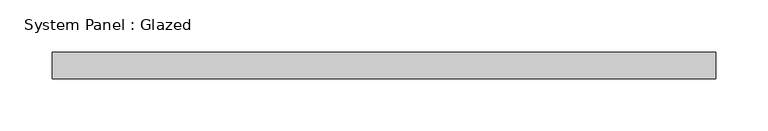
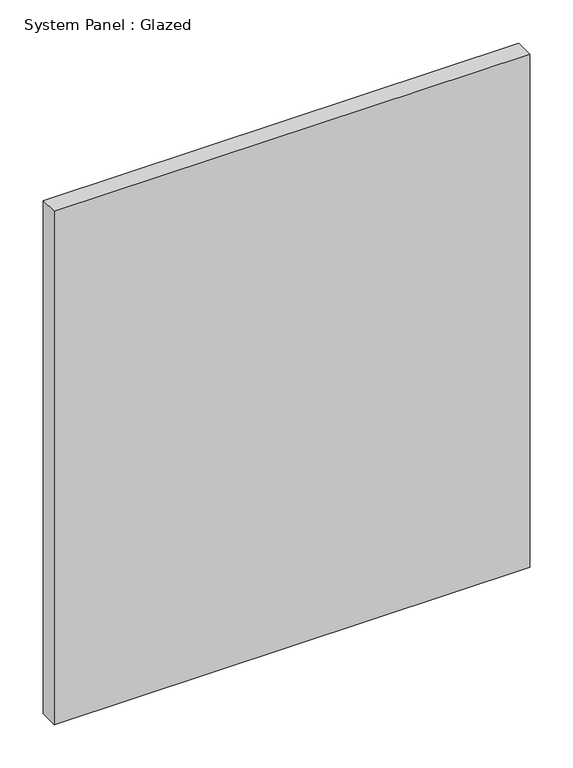
"""IFC4 building model written with IfcOpenShell, lengths in millimetres: plate geometry, System Panel : Glazed."""

import ifcopenshell
import ifcopenshell.guid

model = None  # the IFC model being written
_history = None  # IfcOwnerHistory: only IFC2X3 demands one
_inside = {}  # id of a spatial element -> (the spatial element, [elements in it])
_under = {}  # id of a project, library or spatial element -> (it, [spatial elements below it])
_declared = {}  # id of a project -> (the project, [libraries it declares])
_typed = {}  # id of a type object -> (the type object, [elements of that type])
_made_of = {}  # id of a material, layer set ... -> (it, [elements and type objects made of it])


def new_model(schema):
    """Start an empty IFC model of exactly this schema.

    Asked for "IFC4X3", IfcOpenShell would pick the latest addendum, in which some entities
    have other attributes; the version numbers below select the first issue.
    IFC2X3 requires an IfcOwnerHistory on every rooted entity: one is made here for all.
    """
    global model, _history
    if schema == "IFC4X3":
        model = ifcopenshell.file(schema_version=(4, 3, 0, 0))
    else:
        model = ifcopenshell.file(schema=schema)
    _inside.clear()
    _under.clear()
    _declared.clear()
    _typed.clear()
    _made_of.clear()
    _history = None
    if model.schema == "IFC2X3":
        org = make("IfcOrganization", Name="unknown")
        user = make(
            "IfcPersonAndOrganization",
            ThePerson=make("IfcPerson", FamilyName="unknown"),
            TheOrganization=org,
        )
        app = make(
            "IfcApplication",
            ApplicationDeveloper=org,
            Version="unknown",
            ApplicationFullName="unknown",
            ApplicationIdentifier="unknown",
        )
        _history = make(
            "IfcOwnerHistory",
            OwningUser=user,
            OwningApplication=app,
            ChangeAction="ADDED",
            CreationDate=0,
        )
    return model


def make(cls, **values):
    """One entity of the class cls with the attributes given. An attribute that is None is left unset."""
    return model.create_entity(
        cls, **{name: value for name, value in values.items() if value is not None}
    )


def rooted(cls, **values):
    """An entity with a GlobalId (a new one), such as an element, a storey or a relation."""
    return make(cls, GlobalId=ifcopenshell.guid.new(), OwnerHistory=_history, **values)


def si_unit(unit_type, name, prefix=None):
    """IfcSIUnit, for example si_unit("LENGTHUNIT", "METRE", prefix="MILLI")."""
    return make("IfcSIUnit", UnitType=unit_type, Prefix=prefix, Name=name)


def assignment(units):
    """IfcUnitAssignment: the units of a project."""
    return None if units is None else make("IfcUnitAssignment", Units=units)


def point(xyz):
    """IfcCartesianPoint."""
    return None if xyz is None else make("IfcCartesianPoint", Coordinates=xyz)


def direction(xyz):
    """IfcDirection."""
    return None if xyz is None else make("IfcDirection", DirectionRatios=xyz)


def frame(location, z_axis=None, x_axis=None):
    """IfcAxis2Placement3D, a coordinate frame: its origin and axes. An axis left out is left unset."""
    return make(
        "IfcAxis2Placement3D",
        Location=point(location),
        Axis=direction(z_axis),
        RefDirection=direction(x_axis),
    )


def origin():
    """The frame at (0, 0, 0) with its axes left unset."""
    return frame((0.0, 0.0, 0.0))


def origin_with_axes():
    """The frame at (0, 0, 0) with the z axis (0, 0, 1) and the x axis (1, 0, 0) written out."""
    return frame((0.0, 0.0, 0.0), z_axis=(0.0, 0.0, 1.0), x_axis=(1.0, 0.0, 0.0))


def place(relative_to, where):
    """IfcLocalPlacement: puts the frame where relative to a parent placement (None: the world)."""
    return make(
        "IfcLocalPlacement", PlacementRelTo=relative_to, RelativePlacement=where
    )


def context(
    kind, dimensions, precision=None, world=None, true_north=None, identifier=None
):
    """IfcGeometricRepresentationContext, for example the 3D "Model" context."""
    return make(
        "IfcGeometricRepresentationContext",
        ContextIdentifier=identifier,
        ContextType=kind,
        CoordinateSpaceDimension=dimensions,
        Precision=precision,
        WorldCoordinateSystem=world,
        TrueNorth=true_north,
    )


def project(units=None, contexts=None):
    """IfcProject with its units and contexts."""
    return rooted(
        "IfcProject",
        Name="project",
        RepresentationContexts=contexts,
        UnitsInContext=assignment(units),
    )


def spatial(cls, under=None, at=None, **own):
    """A site, building, storey or space (cls), placed at a placement, below another one or the project."""
    s = rooted(cls, ObjectPlacement=at, **own)
    if under is not None:
        _under.setdefault(under.id(), (under, []))[1].append(s)
    return s


def polyline(points):
    """IfcPolyline through the points."""
    return make("IfcPolyline", Points=[point(p) for p in points])


def outline(outer, holes=None, kind="AREA"):
    """IfcArbitraryClosedProfileDef: a profile drawn as a closed curve; with holes, ...WithVoids."""
    if holes is None:
        return make("IfcArbitraryClosedProfileDef", ProfileType=kind, OuterCurve=outer)
    return make(
        "IfcArbitraryProfileDefWithVoids",
        ProfileType=kind,
        OuterCurve=outer,
        InnerCurves=holes,
    )


def extrude(swept, where, along, depth):
    """IfcExtrudedAreaSolid: the profile swept, set in the frame where, extruded along a direction by depth."""
    return make(
        "IfcExtrudedAreaSolid",
        SweptArea=swept,
        Position=where,
        ExtrudedDirection=direction(along),
        Depth=depth,
    )


def shape(context_of_items, identifier, shape_type, items):
    """IfcShapeRepresentation: the items that make up one representation, for example the "Body"."""
    return make(
        "IfcShapeRepresentation",
        ContextOfItems=context_of_items,
        RepresentationIdentifier=identifier,
        RepresentationType=shape_type,
        Items=items,
    )


def source(mapping_origin, context_of_items, identifier, shape_type, items):
    """IfcRepresentationMap: a shape defined once, which mapped items show again and again."""
    return make(
        "IfcRepresentationMap",
        MappingOrigin=mapping_origin,
        MappedRepresentation=shape(context_of_items, identifier, shape_type, items),
    )


def transform(
    local_origin,
    x_axis=None,
    y_axis=None,
    z_axis=None,
    scale=None,
    scale2=None,
    scale3=None,
    uniform=True,
):
    """IfcCartesianTransformationOperator3D, or its non-uniform kind. x_axis, y_axis, z_axis: its Axis1, 2, 3."""
    if uniform:
        return make(
            "IfcCartesianTransformationOperator3D",
            Axis1=direction(x_axis),
            Axis2=direction(y_axis),
            LocalOrigin=point(local_origin),
            Scale=scale,
            Axis3=direction(z_axis),
        )
    return make(
        "IfcCartesianTransformationOperator3DnonUniform",
        Axis1=direction(x_axis),
        Axis2=direction(y_axis),
        LocalOrigin=point(local_origin),
        Scale=scale,
        Axis3=direction(z_axis),
        Scale2=scale2,
        Scale3=scale3,
    )


def mapped(mapping_source, mapping_target):
    """IfcMappedItem: shows the shape of a source again, moved by a transform."""
    return make(
        "IfcMappedItem", MappingSource=mapping_source, MappingTarget=mapping_target
    )


def made_of(thing, what):
    """Note that an element or type object is made of a material, layer set ...; save() writes the relation."""
    if what is not None:
        _made_of.setdefault(what.id(), (what, []))[1].append(thing)
    return thing


def element(
    cls,
    number,
    at=None,
    inside=None,
    cuts=None,
    type_object=None,
    material=None,
    context=None,
    identifier="Body",
    shape_type=None,
    held_by="IfcProductDefinitionShape",
    body=None,
    shapes=None,
    **own,
):
    """One element of the class cls, such as IfcWall. Its Tag is "e" and its number.

    at: its placement. inside: the storey or other place that contains it. cuts: it is an
    opening in that element (IfcRelVoidsElement). A single representation is given by context,
    identifier, shape_type and body (its items); several are given by shapes. held_by: the class
    of the entity that holds the representations. save() writes the other relations.
    """
    e = rooted(cls, Tag="e%d" % number, ObjectPlacement=at, **own)
    if body is not None:
        shapes = [shape(context, identifier, shape_type, body)]
    if shapes is not None:
        e.Representation = make(held_by, Representations=shapes)
    if inside is not None:
        _inside.setdefault(inside.id(), (inside, []))[1].append(e)
    if cuts is not None:
        rooted(
            "IfcRelVoidsElement", RelatingBuildingElement=cuts, RelatedOpeningElement=e
        )
    if type_object is not None:
        _typed.setdefault(type_object.id(), (type_object, []))[1].append(e)
    return made_of(e, material)


def aggregate(whole, parts):
    """IfcRelAggregates: a whole, such as a stair, and the parts it consists of."""
    return rooted("IfcRelAggregates", RelatingObject=whole, RelatedObjects=parts)


def save(model, path):
    """Write the relations noted so far, then the file.

    IfcRelAggregates (storeys below a building ...), IfcRelContainedInSpatialStructure (elements
    in a storey), IfcRelDefinesByType, IfcRelAssociatesMaterial and IfcRelDeclares: one each for
    every whole, place, type object, material and project.
    """
    for whole, parts in _under.values():
        aggregate(whole, parts)
    for where, things in _inside.values():
        rooted(
            "IfcRelContainedInSpatialStructure",
            RelatedElements=things,
            RelatingStructure=where,
        )
    for kind, things in _typed.values():
        rooted("IfcRelDefinesByType", RelatedObjects=things, RelatingType=kind)
    for what, things in _made_of.values():
        rooted("IfcRelAssociatesMaterial", RelatedObjects=things, RelatingMaterial=what)
    for by, libraries in _declared.values():
        rooted("IfcRelDeclares", RelatingContext=by, RelatedDefinitions=libraries)
    model.write(path)


def system_panel_glazed_db6d58f1(model_context):
    return source(origin(), model_context, "Body", "SweptSolid", [
        extrude(outline(polyline([(318.25, -44.45), (-318.25, -44.45), (-318.25, -19.05), (318.25, -19.05), (318.25, -44.45)])), origin_with_axes(), (0.0, 0.0, 1.0), 726.5),
    ])


if __name__ == "__main__":
    model = new_model("IFC4")
    model_context = context("Model", 3, world=origin())
    ifc_project = project(units=[si_unit("LENGTHUNIT", "METRE", prefix="MILLI")], contexts=[model_context])
    site = spatial("IfcSite", under=ifc_project)
    building = spatial("IfcBuilding", under=site)
    placement = place(None, origin())
    system_panel_glazed_shape = system_panel_glazed_db6d58f1(model_context)
    element("IfcPlate", 1, ObjectType="System Panel : Glazed", at=placement, inside=building, context=model_context, shape_type="MappedRepresentation", body=[
        mapped(system_panel_glazed_shape, transform((0.0, 0.0, 0.0), x_axis=(1.0, 0.0, 0.0), y_axis=(0.0, 1.0, 0.0), z_axis=(0.0, 0.0, 1.0))),
    ])
    save(model, "model.ifc")
